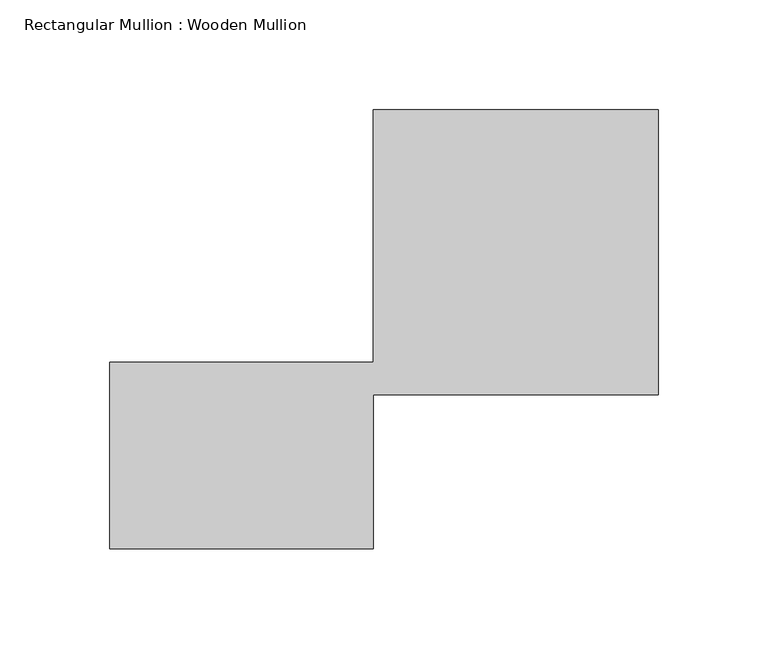
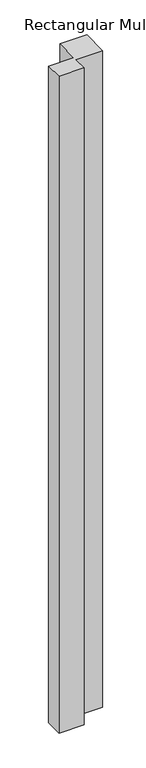
"""IFC4 building model written with IfcOpenShell, lengths in millimetres: member geometry, Rectangular Mullion : Wooden Mullion."""

from ifc_helpers import new_model, si_unit, frame, origin, place, context, project, spatial, polyline, outline, extrude, source, transform, mapped, element, save


def rectangular_mullion_wooden_mullion_1367ab54(model_context):
    return source(origin(), model_context, "Body", "SweptSolid", [
        extrude(outline(polyline([(74.8100006, -26.0137344), (-45.1899994, -26.0137344), (-45.1899994, 58.9862656), (74.8100006, 58.9862656), (74.8100006, 173.9862656), (204.8100006, 173.9862656), (204.8100006, 43.9862656), (74.8100006, 43.9862656), (74.8100006, -26.0137344)])), frame((0.0, 0.0, -3320.0396651), z_axis=(0.0, 0.0, 1.0), x_axis=(1.0, 0.0, 0.0)), (0.0, 0.0, 1.0), 3320.0396651),
    ])


if __name__ == "__main__":
    model = new_model("IFC4")
    model_context = context("Model", 3, world=origin())
    ifc_project = project(units=[si_unit("LENGTHUNIT", "METRE", prefix="MILLI")], contexts=[model_context])
    site = spatial("IfcSite", under=ifc_project)
    building = spatial("IfcBuilding", under=site)
    placement = place(None, origin())
    rectangular_mullion_wooden_mullion_shape = rectangular_mullion_wooden_mullion_1367ab54(model_context)
    element("IfcMember", 1, ObjectType="Rectangular Mullion : Wooden Mullion", at=placement, inside=building, context=model_context, shape_type="MappedRepresentation", body=[
        mapped(rectangular_mullion_wooden_mullion_shape, transform((0.0, 0.0, 0.0), x_axis=(1.0, 0.0, 0.0), y_axis=(0.0, 1.0, 0.0), z_axis=(0.0, 0.0, 1.0))),
    ])
    save(model, "model.ifc")
